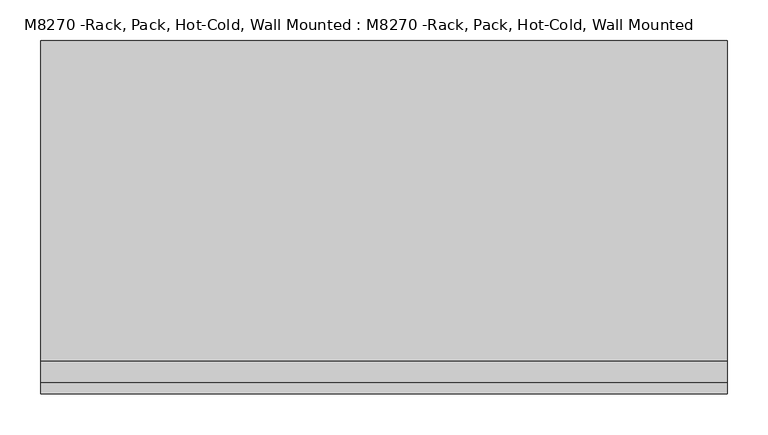
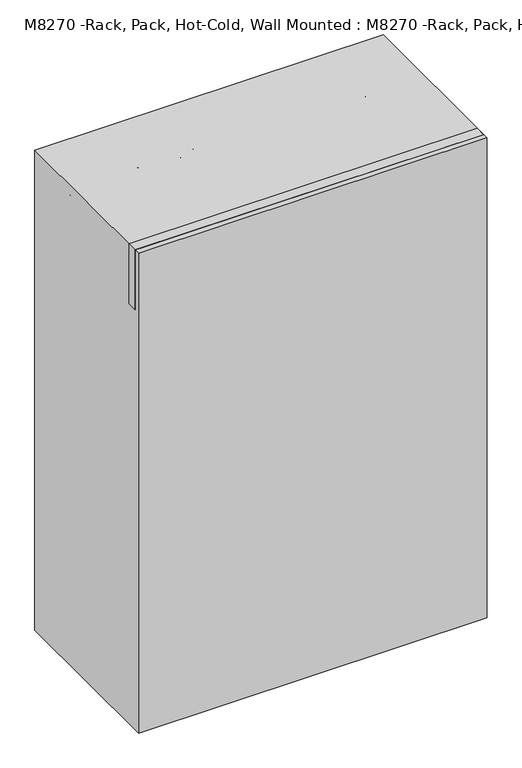
"""IFC4 building model written with IfcOpenShell, lengths in millimetres: proxy geometry, M8270 -Rack, Pack, Hot-Cold, Wall Mounted : M8270 -Rack, Pack, Hot-Cold, Wall Mounted."""

from ifc_helpers import new_model, si_unit, point, frame, origin, origin_with_axes, place, context, project, spatial, polyline, circle_curve, ellipse_curve, trimmed, outline, extrude, source, transform, mapped, element, save
from ifc_brep_helpers import plane_surface, cylinder_surface, revolved_surface, advanced_brep


def m8270_rack_pack_hot_cold_wall_mounted_m8270_rack_pack_hot_fef1859e(model_context):
    return source(origin(), model_context, "Body", "SolidModel", [
        advanced_brep(
        [(-238.0878697, 87.3125, 1136.65), (-244.5121303, 87.3125, 1136.65), (-244.5121303, 417.5125, 1136.65), (-238.0878697, 417.5125, 1136.65), (-206.4121303, 417.5125, 1136.65), (-199.9878697, 417.5125, 1136.65), (-206.4121303, 87.3125, 1136.65), (-199.9878697, 87.3125, 1136.65)],
        [
            (0, 1, circle_curve(frame((-241.3, 87.3125, 1136.65), z_axis=(0.0, -1.0, 0.0), x_axis=(-1.0, 0.0, 0.0)), 3.2121303)),
            (1, 0, circle_curve(frame((-241.3, 87.3125, 1136.65), z_axis=(0.0, -1.0, 0.0), x_axis=(-1.0, 0.0, 0.0)), 3.2121303)),
            (1, 2),
            (2, 3, circle_curve(frame((-241.3, 417.5125, 1136.65), z_axis=(0.0, -1.0, 0.0), x_axis=(-1.0, 0.0, 0.0)), 3.2121303)),
            (3, 0),
            (3, 2, circle_curve(frame((-241.3, 417.5125, 1136.65), z_axis=(0.0, -1.0, 0.0), x_axis=(-1.0, 0.0, 0.0)), 3.2121303)),
            (4, 3, circle_curve(frame((-222.25, 417.5125, 1136.65), z_axis=(0.0, 0.0, 1.0), x_axis=(-1.0, 0.0, 0.0)), 15.8378697)),
            (2, 5, circle_curve(frame((-222.25, 417.5125, 1136.65), z_axis=(0.0, 0.0, -1.0), x_axis=(-1.0, 0.0, 0.0)), 22.2621303)),
            (5, 4, circle_curve(frame((-203.2, 417.5125, 1136.65), z_axis=(0.0, 1.0, 0.0), x_axis=(1.0, 0.0, 0.0)), 3.2121303)),
            (4, 5, circle_curve(frame((-203.2, 417.5125, 1136.65), z_axis=(0.0, 1.0, 0.0), x_axis=(1.0, 0.0, 0.0)), 3.2121303)),
            (6, 7, circle_curve(frame((-203.2, 87.3125, 1136.65), z_axis=(0.0, -1.0, 0.0), x_axis=(1.0, 0.0, 0.0)), 3.2121303)),
            (7, 6, circle_curve(frame((-203.2, 87.3125, 1136.65), z_axis=(0.0, -1.0, 0.0), x_axis=(1.0, 0.0, 0.0)), 3.2121303)),
            (5, 7),
            (6, 4),
        ],
        [
            plane_surface(frame((-241.3, 87.3125, 1136.65), z_axis=(0.0, -1.0, 0.0), x_axis=(0.0, 0.0, 1.0))),
            cylinder_surface(frame((-241.3, 87.3125, 1136.65), z_axis=(0.0, -1.0, 0.0), x_axis=(-1.0, 0.0, 0.0)), 3.2121303),
            revolved_surface(trimmed(ellipse_curve(frame((-241.3, 417.5125, 1136.65), z_axis=(0.0, -1.0, 0.0), x_axis=(-1.0, 0.0, 0.0)), 3.2121303, 3.2121303), [point((-244.5121303, 417.5125, 1136.65))], [point((-238.0878697, 417.5125, 1136.65))], True, "CARTESIAN"), (-222.25, 417.5125, 1136.65), (0.0, 0.0, -1.0)),
            revolved_surface(trimmed(ellipse_curve(frame((-241.3, 417.5125, 1136.65), z_axis=(0.0, -1.0, 0.0), x_axis=(-1.0, 0.0, 0.0)), 3.2121303, 3.2121303), [point((-238.0878697, 417.5125, 1136.65))], [point((-244.5121303, 417.5125, 1136.65))], True, "CARTESIAN"), (-222.25, 417.5125, 1136.65), (0.0, 0.0, -1.0)),
            plane_surface(frame((-203.2, 87.3125, 1136.65), z_axis=(0.0, -1.0, 0.0), x_axis=(0.0, 0.0, 1.0))),
            cylinder_surface(frame((-203.2, 417.5125, 1136.65), z_axis=(0.0, 1.0, 0.0), x_axis=(1.0, 0.0, 0.0)), 3.2121303),
        ],
        [
            (0, [[1, 2]]),
            (1, [[-2, 3, 4, 5]]),
            (1, [[-1, -5, 6, -3]]),
            (2, [[7, -4, 8, 9]]),
            (3, [[-8, -6, -7, 10]]),
            (4, [[11, 12]]),
            (5, [[-9, 13, -11, 14]]),
            (5, [[-10, -14, -12, -13]]),
        ],
    ),
        advanced_brep(
        [(-104.7378697, 87.3125, 1136.65), (-111.1621303, 87.3125, 1136.65), (-111.1621303, 417.5125, 1136.65), (-104.7378697, 417.5125, 1136.65), (-73.0621303, 417.5125, 1136.65), (-66.6378697, 417.5125, 1136.65), (-73.0621303, 87.3125, 1136.65), (-66.6378697, 87.3125, 1136.65)],
        [
            (0, 1, circle_curve(frame((-107.95, 87.3125, 1136.65), z_axis=(0.0, -1.0, 0.0), x_axis=(-1.0, 0.0, 0.0)), 3.2121303)),
            (1, 0, circle_curve(frame((-107.95, 87.3125, 1136.65), z_axis=(0.0, -1.0, 0.0), x_axis=(-1.0, 0.0, 0.0)), 3.2121303)),
            (1, 2),
            (2, 3, circle_curve(frame((-107.95, 417.5125, 1136.65), z_axis=(0.0, -1.0, 0.0), x_axis=(-1.0, 0.0, 0.0)), 3.2121303)),
            (3, 0),
            (3, 2, circle_curve(frame((-107.95, 417.5125, 1136.65), z_axis=(0.0, -1.0, 0.0), x_axis=(-1.0, 0.0, 0.0)), 3.2121303)),
            (4, 3, circle_curve(frame((-88.9, 417.5125, 1136.65), z_axis=(0.0, 0.0, 1.0), x_axis=(-1.0, 0.0, 0.0)), 15.8378697)),
            (2, 5, circle_curve(frame((-88.9, 417.5125, 1136.65), z_axis=(0.0, 0.0, -1.0), x_axis=(-1.0, 0.0, 0.0)), 22.2621303)),
            (5, 4, circle_curve(frame((-69.85, 417.5125, 1136.65), z_axis=(0.0, 1.0, 0.0), x_axis=(1.0, 0.0, 0.0)), 3.2121303)),
            (4, 5, circle_curve(frame((-69.85, 417.5125, 1136.65), z_axis=(0.0, 1.0, 0.0), x_axis=(1.0, 0.0, 0.0)), 3.2121303)),
            (6, 7, circle_curve(frame((-69.85, 87.3125, 1136.65), z_axis=(0.0, -1.0, 0.0), x_axis=(1.0, 0.0, 0.0)), 3.2121303)),
            (7, 6, circle_curve(frame((-69.85, 87.3125, 1136.65), z_axis=(0.0, -1.0, 0.0), x_axis=(1.0, 0.0, 0.0)), 3.2121303)),
            (5, 7),
            (6, 4),
        ],
        [
            plane_surface(frame((-107.95, 87.3125, 1136.65), z_axis=(0.0, -1.0, 0.0), x_axis=(0.0, 0.0, 1.0))),
            cylinder_surface(frame((-107.95, 87.3125, 1136.65), z_axis=(0.0, -1.0, 0.0), x_axis=(-1.0, 0.0, 0.0)), 3.2121303),
            revolved_surface(trimmed(ellipse_curve(frame((-107.95, 417.5125, 1136.65), z_axis=(0.0, -1.0, 0.0), x_axis=(-1.0, 0.0, 0.0)), 3.2121303, 3.2121303), [point((-111.1621303, 417.5125, 1136.65))], [point((-104.7378697, 417.5125, 1136.65))], True, "CARTESIAN"), (-88.9, 417.5125, 1136.65), (0.0, 0.0, -1.0)),
            revolved_surface(trimmed(ellipse_curve(frame((-107.95, 417.5125, 1136.65), z_axis=(0.0, -1.0, 0.0), x_axis=(-1.0, 0.0, 0.0)), 3.2121303, 3.2121303), [point((-104.7378697, 417.5125, 1136.65))], [point((-111.1621303, 417.5125, 1136.65))], True, "CARTESIAN"), (-88.9, 417.5125, 1136.65), (0.0, 0.0, -1.0)),
            plane_surface(frame((-69.85, 87.3125, 1136.65), z_axis=(0.0, -1.0, 0.0), x_axis=(0.0, 0.0, 1.0))),
            cylinder_surface(frame((-69.85, 417.5125, 1136.65), z_axis=(0.0, 1.0, 0.0), x_axis=(1.0, 0.0, 0.0)), 3.2121303),
        ],
        [
            (0, [[1, 2]]),
            (1, [[-2, 3, 4, 5]]),
            (1, [[-1, -5, 6, -3]]),
            (2, [[7, -4, 8, 9]]),
            (3, [[-8, -6, -7, 10]]),
            (4, [[11, 12]]),
            (5, [[-9, 13, -11, 14]]),
            (5, [[-10, -14, -12, -13]]),
        ],
    ),
        advanced_brep(
        [(-371.4378697, 87.3125, 1136.65), (-377.8621303, 87.3125, 1136.65), (-377.8621303, 417.5125, 1136.65), (-371.4378697, 417.5125, 1136.65), (-339.7621303, 417.5125, 1136.65), (-333.3378697, 417.5125, 1136.65), (-339.7621303, 87.3125, 1136.65), (-333.3378697, 87.3125, 1136.65)],
        [
            (0, 1, circle_curve(frame((-374.65, 87.3125, 1136.65), z_axis=(0.0, -1.0, 0.0), x_axis=(-1.0, 0.0, 0.0)), 3.2121303)),
            (1, 0, circle_curve(frame((-374.65, 87.3125, 1136.65), z_axis=(0.0, -1.0, 0.0), x_axis=(-1.0, 0.0, 0.0)), 3.2121303)),
            (1, 2),
            (2, 3, circle_curve(frame((-374.65, 417.5125, 1136.65), z_axis=(0.0, -1.0, 0.0), x_axis=(-1.0, 0.0, 0.0)), 3.2121303)),
            (3, 0),
            (3, 2, circle_curve(frame((-374.65, 417.5125, 1136.65), z_axis=(0.0, -1.0, 0.0), x_axis=(-1.0, 0.0, 0.0)), 3.2121303)),
            (4, 3, circle_curve(frame((-355.6, 417.5125, 1136.65), z_axis=(0.0, 0.0, 1.0), x_axis=(-1.0, 0.0, 0.0)), 15.8378697)),
            (2, 5, circle_curve(frame((-355.6, 417.5125, 1136.65), z_axis=(0.0, 0.0, -1.0), x_axis=(-1.0, 0.0, 0.0)), 22.2621303)),
            (5, 4, circle_curve(frame((-336.55, 417.5125, 1136.65), z_axis=(0.0, 1.0, 0.0), x_axis=(1.0, 0.0, 0.0)), 3.2121303)),
            (4, 5, circle_curve(frame((-336.55, 417.5125, 1136.65), z_axis=(0.0, 1.0, 0.0), x_axis=(1.0, 0.0, 0.0)), 3.2121303)),
            (6, 7, circle_curve(frame((-336.55, 87.3125, 1136.65), z_axis=(0.0, -1.0, 0.0), x_axis=(1.0, 0.0, 0.0)), 3.2121303)),
            (7, 6, circle_curve(frame((-336.55, 87.3125, 1136.65), z_axis=(0.0, -1.0, 0.0), x_axis=(1.0, 0.0, 0.0)), 3.2121303)),
            (5, 7),
            (6, 4),
        ],
        [
            plane_surface(frame((-374.65, 87.3125, 1136.65), z_axis=(0.0, -1.0, 0.0), x_axis=(0.0, 0.0, 1.0))),
            cylinder_surface(frame((-374.65, 87.3125, 1136.65), z_axis=(0.0, -1.0, 0.0), x_axis=(-1.0, 0.0, 0.0)), 3.2121303),
            revolved_surface(trimmed(ellipse_curve(frame((-374.65, 417.5125, 1136.65), z_axis=(0.0, -1.0, 0.0), x_axis=(-1.0, 0.0, 0.0)), 3.2121303, 3.2121303), [point((-377.8621303, 417.5125, 1136.65))], [point((-371.4378697, 417.5125, 1136.65))], True, "CARTESIAN"), (-355.6, 417.5125, 1136.65), (0.0, 0.0, -1.0)),
            revolved_surface(trimmed(ellipse_curve(frame((-374.65, 417.5125, 1136.65), z_axis=(0.0, -1.0, 0.0), x_axis=(-1.0, 0.0, 0.0)), 3.2121303, 3.2121303), [point((-371.4378697, 417.5125, 1136.65))], [point((-377.8621303, 417.5125, 1136.65))], True, "CARTESIAN"), (-355.6, 417.5125, 1136.65), (0.0, 0.0, -1.0)),
            plane_surface(frame((-336.55, 87.3125, 1136.65), z_axis=(0.0, -1.0, 0.0), x_axis=(0.0, 0.0, 1.0))),
            cylinder_surface(frame((-336.55, 417.5125, 1136.65), z_axis=(0.0, 1.0, 0.0), x_axis=(1.0, 0.0, 0.0)), 3.2121303),
        ],
        [
            (0, [[1, 2]]),
            (1, [[-2, 3, 4, 5]]),
            (1, [[-1, -5, 6, -3]]),
            (2, [[7, -4, 8, 9]]),
            (3, [[-8, -6, -7, 10]]),
            (4, [[11, 12]]),
            (5, [[-9, 13, -11, 14]]),
            (5, [[-10, -14, -12, -13]]),
        ],
    ),
        advanced_brep(
        [(244.5121303, 87.3125, 1136.65), (238.0878697, 87.3125, 1136.65), (244.5121303, 417.5125, 1136.65), (238.0878697, 417.5125, 1136.65), (206.4121303, 417.5125, 1136.65), (199.9878697, 417.5125, 1136.65), (199.9878697, 87.3125, 1136.65), (206.4121303, 87.3125, 1136.65)],
        [
            (0, 1, circle_curve(frame((241.3, 87.3125, 1136.65), z_axis=(0.0, -1.0, 0.0), x_axis=(-1.0, 0.0, 0.0)), 3.2121303)),
            (1, 0, circle_curve(frame((241.3, 87.3125, 1136.65), z_axis=(0.0, -1.0, 0.0), x_axis=(-1.0, 0.0, 0.0)), 3.2121303)),
            (0, 2),
            (2, 3, circle_curve(frame((241.3, 417.5125, 1136.65), z_axis=(0.0, -1.0, 0.0), x_axis=(-1.0, 0.0, 0.0)), 3.2121303)),
            (3, 1),
            (3, 2, circle_curve(frame((241.3, 417.5125, 1136.65), z_axis=(0.0, -1.0, 0.0), x_axis=(-1.0, 0.0, 0.0)), 3.2121303)),
            (4, 3, circle_curve(frame((222.25, 417.5125, 1136.65), z_axis=(0.0, 0.0, -1.0), x_axis=(1.0, 0.0, 0.0)), 15.8378697)),
            (2, 5, circle_curve(frame((222.25, 417.5125, 1136.65), z_axis=(0.0, 0.0, 1.0), x_axis=(1.0, 0.0, 0.0)), 22.2621303)),
            (5, 4, circle_curve(frame((203.2, 417.5125, 1136.65), z_axis=(0.0, 1.0, 0.0), x_axis=(1.0, 0.0, 0.0)), 3.2121303)),
            (4, 5, circle_curve(frame((203.2, 417.5125, 1136.65), z_axis=(0.0, 1.0, 0.0), x_axis=(1.0, 0.0, 0.0)), 3.2121303)),
            (6, 7, circle_curve(frame((203.2, 87.3125, 1136.65), z_axis=(0.0, -1.0, 0.0), x_axis=(1.0, 0.0, 0.0)), 3.2121303)),
            (7, 6, circle_curve(frame((203.2, 87.3125, 1136.65), z_axis=(0.0, -1.0, 0.0), x_axis=(1.0, 0.0, 0.0)), 3.2121303)),
            (5, 6),
            (7, 4),
        ],
        [
            plane_surface(frame((241.3, 87.3125, 1136.65), z_axis=(0.0, -1.0, 0.0), x_axis=(0.0, 0.0, 1.0))),
            cylinder_surface(frame((241.3, 87.3125, 1136.65), z_axis=(0.0, -1.0, 0.0), x_axis=(-1.0, 0.0, 0.0)), 3.2121303),
            revolved_surface(trimmed(ellipse_curve(frame((241.3, 417.5125, 1136.65), z_axis=(0.0, -1.0, 0.0), x_axis=(-1.0, 0.0, 0.0)), 3.2121303, 3.2121303), [point((244.5121303, 417.5125, 1136.65))], [point((238.0878697, 417.5125, 1136.65))], True, "CARTESIAN"), (222.25, 417.5125, 1136.65), (0.0, 0.0, 1.0)),
            revolved_surface(trimmed(ellipse_curve(frame((241.3, 417.5125, 1136.65), z_axis=(0.0, -1.0, 0.0), x_axis=(-1.0, 0.0, 0.0)), 3.2121303, 3.2121303), [point((238.0878697, 417.5125, 1136.65))], [point((244.5121303, 417.5125, 1136.65))], True, "CARTESIAN"), (222.25, 417.5125, 1136.65), (0.0, 0.0, 1.0)),
            plane_surface(frame((203.2, 87.3125, 1136.65), z_axis=(0.0, -1.0, 0.0), x_axis=(0.0, 0.0, 1.0))),
            cylinder_surface(frame((203.2, 417.5125, 1136.65), z_axis=(0.0, 1.0, 0.0), x_axis=(1.0, 0.0, 0.0)), 3.2121303),
        ],
        [
            (0, [[1, 2]]),
            (1, [[-1, 3, 4, 5]]),
            (1, [[-2, -5, 6, -3]]),
            (2, [[7, -4, 8, 9]]),
            (3, [[-8, -6, -7, 10]]),
            (4, [[11, 12]]),
            (5, [[-9, 13, -12, 14]]),
            (5, [[-10, -14, -11, -13]]),
        ],
    ),
        advanced_brep(
        [(111.1621303, 87.3125, 1136.65), (104.7378697, 87.3125, 1136.65), (111.1621303, 417.5125, 1136.65), (104.7378697, 417.5125, 1136.65), (73.0621303, 417.5125, 1136.65), (66.6378697, 417.5125, 1136.65), (66.6378697, 87.3125, 1136.65), (73.0621303, 87.3125, 1136.65)],
        [
            (0, 1, circle_curve(frame((107.95, 87.3125, 1136.65), z_axis=(0.0, -1.0, 0.0), x_axis=(-1.0, 0.0, 0.0)), 3.2121303)),
            (1, 0, circle_curve(frame((107.95, 87.3125, 1136.65), z_axis=(0.0, -1.0, 0.0), x_axis=(-1.0, 0.0, 0.0)), 3.2121303)),
            (0, 2),
            (2, 3, circle_curve(frame((107.95, 417.5125, 1136.65), z_axis=(0.0, -1.0, 0.0), x_axis=(-1.0, 0.0, 0.0)), 3.2121303)),
            (3, 1),
            (3, 2, circle_curve(frame((107.95, 417.5125, 1136.65), z_axis=(0.0, -1.0, 0.0), x_axis=(-1.0, 0.0, 0.0)), 3.2121303)),
            (4, 3, circle_curve(frame((88.9, 417.5125, 1136.65), z_axis=(0.0, 0.0, -1.0), x_axis=(1.0, 0.0, 0.0)), 15.8378697)),
            (2, 5, circle_curve(frame((88.9, 417.5125, 1136.65), z_axis=(0.0, 0.0, 1.0), x_axis=(1.0, 0.0, 0.0)), 22.2621303)),
            (5, 4, circle_curve(frame((69.85, 417.5125, 1136.65), z_axis=(0.0, 1.0, 0.0), x_axis=(1.0, 0.0, 0.0)), 3.2121303)),
            (4, 5, circle_curve(frame((69.85, 417.5125, 1136.65), z_axis=(0.0, 1.0, 0.0), x_axis=(1.0, 0.0, 0.0)), 3.2121303)),
            (6, 7, circle_curve(frame((69.85, 87.3125, 1136.65), z_axis=(0.0, -1.0, 0.0), x_axis=(1.0, 0.0, 0.0)), 3.2121303)),
            (7, 6, circle_curve(frame((69.85, 87.3125, 1136.65), z_axis=(0.0, -1.0, 0.0), x_axis=(1.0, 0.0, 0.0)), 3.2121303)),
            (5, 6),
            (7, 4),
        ],
        [
            plane_surface(frame((107.95, 87.3125, 1136.65), z_axis=(0.0, -1.0, 0.0), x_axis=(0.0, 0.0, 1.0))),
            cylinder_surface(frame((107.95, 87.3125, 1136.65), z_axis=(0.0, -1.0, 0.0), x_axis=(-1.0, 0.0, 0.0)), 3.2121303),
            revolved_surface(trimmed(ellipse_curve(frame((107.95, 417.5125, 1136.65), z_axis=(0.0, -1.0, 0.0), x_axis=(-1.0, 0.0, 0.0)), 3.2121303, 3.2121303), [point((111.1621303, 417.5125, 1136.65))], [point((104.7378697, 417.5125, 1136.65))], True, "CARTESIAN"), (88.9, 417.5125, 1136.65), (0.0, 0.0, 1.0)),
            revolved_surface(trimmed(ellipse_curve(frame((107.95, 417.5125, 1136.65), z_axis=(0.0, -1.0, 0.0), x_axis=(-1.0, 0.0, 0.0)), 3.2121303, 3.2121303), [point((104.7378697, 417.5125, 1136.65))], [point((111.1621303, 417.5125, 1136.65))], True, "CARTESIAN"), (88.9, 417.5125, 1136.65), (0.0, 0.0, 1.0)),
            plane_surface(frame((69.85, 87.3125, 1136.65), z_axis=(0.0, -1.0, 0.0), x_axis=(0.0, 0.0, 1.0))),
            cylinder_surface(frame((69.85, 417.5125, 1136.65), z_axis=(0.0, 1.0, 0.0), x_axis=(1.0, 0.0, 0.0)), 3.2121303),
        ],
        [
            (0, [[1, 2]]),
            (1, [[-1, 3, 4, 5]]),
            (1, [[-2, -5, 6, -3]]),
            (2, [[7, -4, 8, 9]]),
            (3, [[-8, -6, -7, 10]]),
            (4, [[11, 12]]),
            (5, [[-9, 13, -12, 14]]),
            (5, [[-10, -14, -11, -13]]),
        ],
    ),
        advanced_brep(
        [(377.8621303, 87.3125, 1136.65), (371.4378697, 87.3125, 1136.65), (377.8621303, 417.5125, 1136.65), (371.4378697, 417.5125, 1136.65), (339.7621303, 417.5125, 1136.65), (333.3378697, 417.5125, 1136.65), (333.3378697, 87.3125, 1136.65), (339.7621303, 87.3125, 1136.65)],
        [
            (0, 1, circle_curve(frame((374.65, 87.3125, 1136.65), z_axis=(0.0, -1.0, 0.0), x_axis=(-1.0, 0.0, 0.0)), 3.2121303)),
            (1, 0, circle_curve(frame((374.65, 87.3125, 1136.65), z_axis=(0.0, -1.0, 0.0), x_axis=(-1.0, 0.0, 0.0)), 3.2121303)),
            (0, 2),
            (2, 3, circle_curve(frame((374.65, 417.5125, 1136.65), z_axis=(0.0, -1.0, 0.0), x_axis=(-1.0, 0.0, 0.0)), 3.2121303)),
            (3, 1),
            (3, 2, circle_curve(frame((374.65, 417.5125, 1136.65), z_axis=(0.0, -1.0, 0.0), x_axis=(-1.0, 0.0, 0.0)), 3.2121303)),
            (4, 3, circle_curve(frame((355.6, 417.5125, 1136.65), z_axis=(0.0, 0.0, -1.0), x_axis=(1.0, 0.0, 0.0)), 15.8378697)),
            (2, 5, circle_curve(frame((355.6, 417.5125, 1136.65), z_axis=(0.0, 0.0, 1.0), x_axis=(1.0, 0.0, 0.0)), 22.2621303)),
            (5, 4, circle_curve(frame((336.55, 417.5125, 1136.65), z_axis=(0.0, 1.0, 0.0), x_axis=(1.0, 0.0, 0.0)), 3.2121303)),
            (4, 5, circle_curve(frame((336.55, 417.5125, 1136.65), z_axis=(0.0, 1.0, 0.0), x_axis=(1.0, 0.0, 0.0)), 3.2121303)),
            (6, 7, circle_curve(frame((336.55, 87.3125, 1136.65), z_axis=(0.0, -1.0, 0.0), x_axis=(1.0, 0.0, 0.0)), 3.2121303)),
            (7, 6, circle_curve(frame((336.55, 87.3125, 1136.65), z_axis=(0.0, -1.0, 0.0), x_axis=(1.0, 0.0, 0.0)), 3.2121303)),
            (5, 6),
            (7, 4),
        ],
        [
            plane_surface(frame((374.65, 87.3125, 1136.65), z_axis=(0.0, -1.0, 0.0), x_axis=(0.0, 0.0, 1.0))),
            cylinder_surface(frame((374.65, 87.3125, 1136.65), z_axis=(0.0, -1.0, 0.0), x_axis=(-1.0, 0.0, 0.0)), 3.2121303),
            revolved_surface(trimmed(ellipse_curve(frame((374.65, 417.5125, 1136.65), z_axis=(0.0, -1.0, 0.0), x_axis=(-1.0, 0.0, 0.0)), 3.2121303, 3.2121303), [point((377.8621303, 417.5125, 1136.65))], [point((371.4378697, 417.5125, 1136.65))], True, "CARTESIAN"), (355.6, 417.5125, 1136.65), (0.0, 0.0, 1.0)),
            revolved_surface(trimmed(ellipse_curve(frame((374.65, 417.5125, 1136.65), z_axis=(0.0, -1.0, 0.0), x_axis=(-1.0, 0.0, 0.0)), 3.2121303, 3.2121303), [point((371.4378697, 417.5125, 1136.65))], [point((377.8621303, 417.5125, 1136.65))], True, "CARTESIAN"), (355.6, 417.5125, 1136.65), (0.0, 0.0, 1.0)),
            plane_surface(frame((336.55, 87.3125, 1136.65), z_axis=(0.0, -1.0, 0.0), x_axis=(0.0, 0.0, 1.0))),
            cylinder_surface(frame((336.55, 417.5125, 1136.65), z_axis=(0.0, 1.0, 0.0), x_axis=(1.0, 0.0, 0.0)), 3.2121303),
        ],
        [
            (0, [[1, 2]]),
            (1, [[-1, 3, 4, 5]]),
            (1, [[-2, -5, 6, -3]]),
            (2, [[7, -4, 8, 9]]),
            (3, [[-8, -6, -7, 10]]),
            (4, [[11, 12]]),
            (5, [[-9, 13, -12, 14]]),
            (5, [[-10, -14, -11, -13]]),
        ],
    ),
        extrude(outline(polyline([(419.1, 76.2), (-419.1, 76.2), (-419.1, 101.6), (419.1, 101.6), (419.1, 76.2)])), frame((0.0, 0.0, 1066.8), z_axis=(0.0, 0.0, 1.0), x_axis=(1.0, 0.0, 0.0)), (0.0, 0.0, 1.0), 152.4),
        extrude(outline(polyline([(419.1, 493.7125), (419.1, 61.9125), (-419.1, 61.9125), (-419.1, 493.7125), (419.1, 493.7125)])), origin_with_axes(), (0.0, 0.0, 1.0), 1219.2),
    ])


if __name__ == "__main__":
    model = new_model("IFC4")
    model_context = context("Model", 3, world=origin())
    ifc_project = project(units=[si_unit("LENGTHUNIT", "METRE", prefix="MILLI")], contexts=[model_context])
    site = spatial("IfcSite", under=ifc_project)
    building = spatial("IfcBuilding", under=site)
    placement = place(None, origin())
    m8270_rack_pack_hot_cold_wall_mounted_m8270_rack_pack_hot_shape = m8270_rack_pack_hot_cold_wall_mounted_m8270_rack_pack_hot_fef1859e(model_context)
    element("IfcBuildingElementProxy", 1, Name="M8270 -Rack, Pack, Hot-Cold, Wall Mounted : M8270 -Rack, Pack, Hot-Cold, Wall Mounted", ObjectType="M8270 -Rack, Pack, Hot-Cold, Wall Mounted : M8270 -Rack, Pack, Hot-Cold, Wall Mounted", at=placement, inside=building, context=model_context, shape_type="MappedRepresentation", body=[
        mapped(m8270_rack_pack_hot_cold_wall_mounted_m8270_rack_pack_hot_shape, transform((0.0, 0.0, 0.0), x_axis=(1.0, 0.0, 0.0), y_axis=(0.0, 1.0, 0.0), z_axis=(0.0, 0.0, 1.0))),
    ])
    save(model, "model.ifc")
